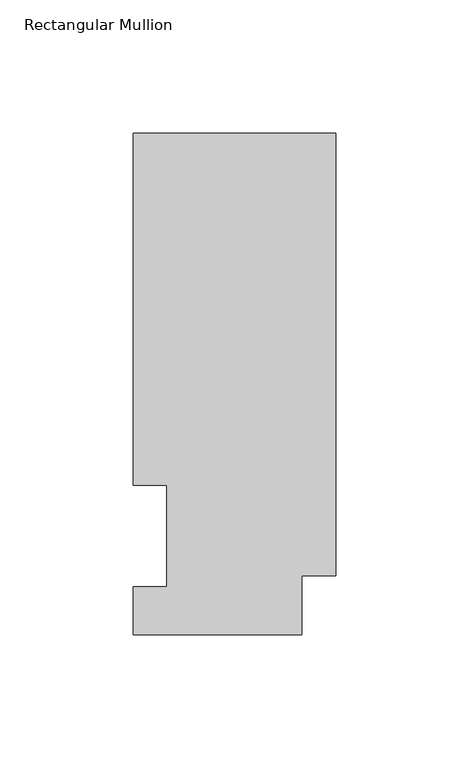
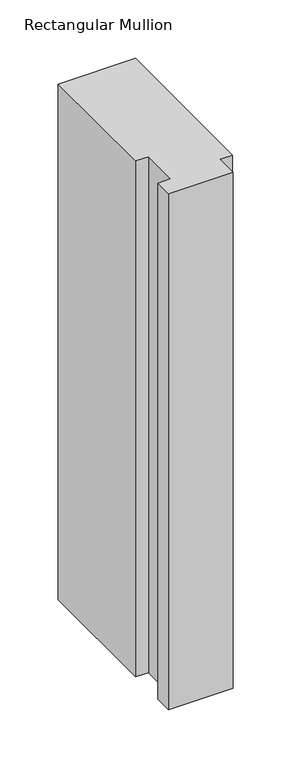
"""IFC4 building model written with IfcOpenShell, lengths in millimetres: member geometry, Rectangular Mullion."""

from ifc_helpers import new_model, si_unit, frame, origin, place, context, project, spatial, polyline, outline, extrude, source, transform, mapped, element, save


def rectangular_mullion_9038909f(model_context):
    return source(origin(), model_context, "Body", "SweptSolid", [
        extrude(outline(polyline([(-76.2, 189.0897822), (0.0, 189.0897822), (0.0, 22.6195299), (-12.7, 22.6195299), (-12.7, 0.5199062), (-76.2, 0.5199062), (-76.2, 18.5539063), (-63.5762, 18.5539063), (-63.5762, 56.6539062), (-76.2, 56.6539062), (-76.2, 189.0897822)])), frame((0.0, 0.0, -538.657117), z_axis=(0.0, 0.0, 1.0), x_axis=(1.0, 0.0, 0.0)), (0.0, 0.0, 1.0), 538.657117),
    ])


if __name__ == "__main__":
    model = new_model("IFC4")
    model_context = context("Model", 3, world=origin())
    ifc_project = project(units=[si_unit("LENGTHUNIT", "METRE", prefix="MILLI")], contexts=[model_context])
    site = spatial("IfcSite", under=ifc_project)
    building = spatial("IfcBuilding", under=site)
    placement = place(None, origin())
    rectangular_mullion_shape = rectangular_mullion_9038909f(model_context)
    element("IfcMember", 1, ObjectType="Rectangular Mullion", at=placement, inside=building, context=model_context, shape_type="MappedRepresentation", body=[
        mapped(rectangular_mullion_shape, transform((0.0, 0.0, 0.0), x_axis=(1.0, 0.0, 0.0), y_axis=(0.0, 1.0, 0.0), z_axis=(0.0, 0.0, 1.0))),
    ])
    save(model, "model.ifc")
